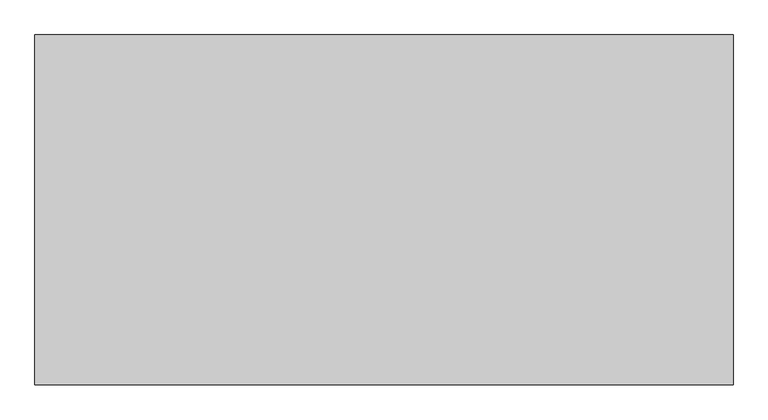
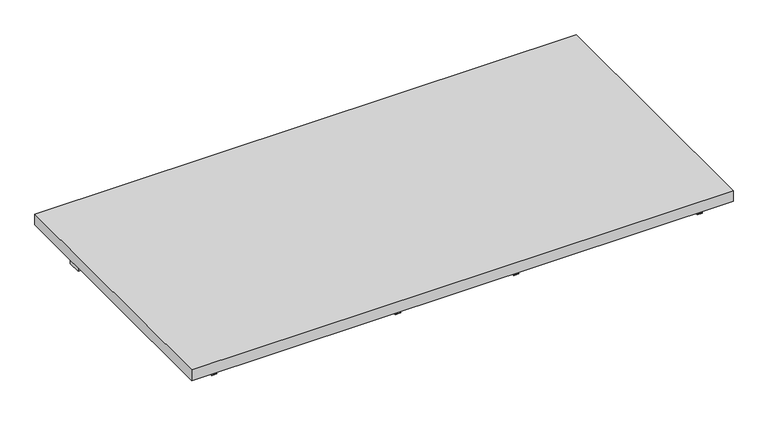
"""IFC4 building model written with IfcOpenShell, lengths in millimetres: furniture geometry."""

from ifc_helpers import new_model, si_unit, frame, origin, place, context, project, spatial, polyline, outline, extrude, source, transform, mapped, element, save


def furniture_50b6e0d6(model_context):
    return source(origin(), model_context, "Body", "SweptSolid", [
        extrude(outline(polyline([(1217.6125, 254.0), (1217.6125, -508.0), (-303.2125, -508.0), (-303.2125, 254.0), (1217.6125, 254.0)])), frame((0.0, 0.0, 425.45), z_axis=(0.0, 0.0, 1.0), x_axis=(1.0, 0.0, 0.0)), (0.0, 0.0, 1.0), 31.75),
        extrude(outline(polyline([(1184.275, 139.7), (1184.275, 101.6), (-269.875, 101.6), (-269.875, 139.7), (1184.275, 139.7)])), frame((0.0, 0.0, 368.3), z_axis=(0.0, 0.0, 1.0), x_axis=(1.0, 0.0, 0.0)), (0.0, 0.0, 1.0), 57.15),
        extrude(outline(polyline([(401.6375, 617.5375), (425.45, 617.5375), (425.45, 615.95), (400.05, 615.95), (400.05, 630.2375), (401.6375, 630.2375), (401.6375, 617.5375)])), frame((0.0, -482.6, 0.0), z_axis=(0.0, 1.0, 0.0), x_axis=(0.0, 0.0, 1.0)), (0.0, 0.0, 1.0), 390.525),
        extrude(outline(polyline([(401.6375, 296.8625), (401.6375, 284.1625), (400.05, 284.1625), (400.05, 298.45), (425.45, 298.45), (425.45, 296.8625), (401.6375, 296.8625)])), frame((0.0, -482.6, 0.0), z_axis=(0.0, 1.0, 0.0), x_axis=(0.0, 0.0, 1.0)), (0.0, 0.0, 1.0), 390.525),
        extrude(outline(polyline([(401.6375, -230.1875), (425.45, -230.1875), (425.45, -231.775), (400.05, -231.775), (400.05, -217.4875), (401.6375, -217.4875), (401.6375, -230.1875)])), frame((0.0, -482.6, 0.0), z_axis=(0.0, 1.0, 0.0), x_axis=(0.0, 0.0, 1.0)), (0.0, 0.0, 1.0), 390.525),
        extrude(outline(polyline([(401.6375, 1144.5875), (401.6375, 1131.8875), (400.05, 1131.8875), (400.05, 1146.175), (425.45, 1146.175), (425.45, 1144.5875), (401.6375, 1144.5875)])), frame((0.0, -482.6, 0.0), z_axis=(0.0, 1.0, 0.0), x_axis=(0.0, 0.0, 1.0)), (0.0, 0.0, 1.0), 390.525),
    ])


if __name__ == "__main__":
    model = new_model("IFC4")
    model_context = context("Model", 3, world=origin())
    ifc_project = project(units=[si_unit("LENGTHUNIT", "METRE", prefix="MILLI")], contexts=[model_context])
    site = spatial("IfcSite", under=ifc_project)
    building = spatial("IfcBuilding", under=site)
    placement = place(None, origin())
    furniture_shape = furniture_50b6e0d6(model_context)
    element("IfcFurniture", 1, at=placement, inside=building, context=model_context, shape_type="MappedRepresentation", body=[
        mapped(furniture_shape, transform((0.0, 0.0, 0.0), x_axis=(1.0, 0.0, 0.0), y_axis=(0.0, 1.0, 0.0), z_axis=(0.0, 0.0, 1.0))),
    ])
    save(model, "model.ifc")
